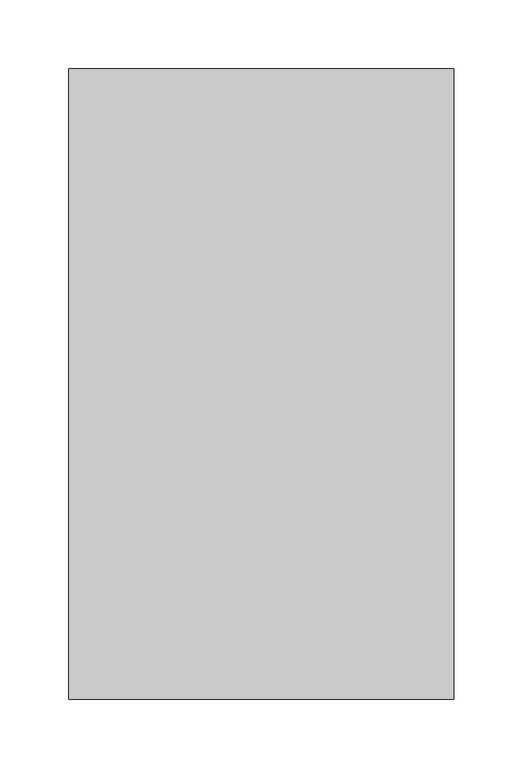
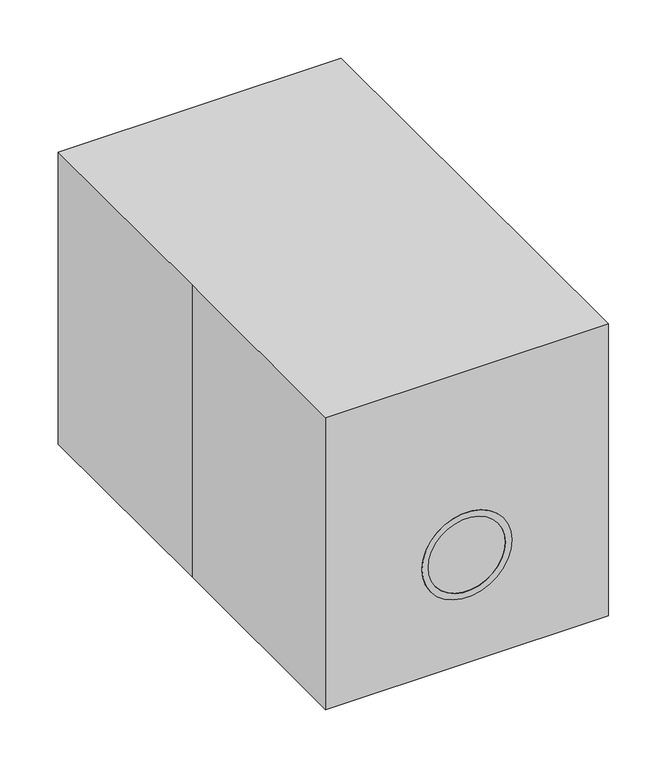
"""IFC4 building model written with IfcOpenShell, lengths in millimetres: proxy geometry."""

from ifc_helpers import new_model, si_unit, point, frame, frame_2d, origin, origin_with_axes, place, context, project, spatial, polyline, circle_curve, trimmed, segment, composite_curve, outline, extrude, source, transform, mapped, element, save


def specialty_equipment_47201700(model_context):
    return source(origin(), model_context, "Body", "SweptSolid", [
        extrude(outline(composite_curve([segment(polyline([(-76.2, 254.0), (-104.4566244, 254.0)]), True, "CONTINUOUS"), segment(trimmed(circle_curve(frame_2d((0.0, 74.9129669)), 207.3242673), [point((-104.4566244, 254.0))], [point((104.4566244, 254.0))], False, "CARTESIAN"), True, "CONTINUOUS"), segment(polyline([(104.4566244, 254.0), (76.2, 254.0)]), True, "CONTINUOUS"), segment(trimmed(circle_curve(frame_2d((0.0, 74.9129669)), 194.6242673), [point((76.2, 254.0))], [point((-76.2, 254.0))], True, "CARTESIAN"), True, "CONTINUOUS")], self_intersect=False)), frame((-15.3545112, 0.0, 0.0), z_axis=(1.0, 0.0, 0.0), x_axis=(0.0, 1.0, 0.0)), (0.0, 0.0, 1.0), 29.2134457),
        extrude(outline(polyline([(239.7839172, 100.6924911), (239.7839172, 75.0188102), (212.1040368, 75.0188102), (212.1040368, 100.6924911), (239.7839172, 100.6924911)]), holes=[polyline([(236.6089172, 97.5174911), (215.2790368, 97.5174911), (215.2790368, 78.1938102), (236.6089172, 78.1938102), (236.6089172, 97.5174911)])]), frame((0.0, -204.5761198, 0.0), z_axis=(0.0, 1.0, 0.0), x_axis=(0.0, 0.0, 1.0)), (0.0, 0.0, 1.0), 1.3761198),
        extrude(outline(polyline([(-207.1370082, 236.6089172), (-203.2, 236.6089172), (-203.2, 215.2790368), (-205.2210605, 215.2790368), (-204.33299, 227.9790368), (-207.1370082, 236.6089172)])), frame((78.1938102, 0.0, 0.0), z_axis=(1.0, 0.0, 0.0), x_axis=(0.0, 1.0, 0.0)), (0.0, 0.0, 1.0), 19.3236809),
        extrude(outline(composite_curve([segment(trimmed(circle_curve(frame_2d((169.0957383, 87.6470805)), 9.525), [point((169.0957383, 78.1220805))], [point((169.0957383, 97.1720805))], False, "CARTESIAN"), True, "CONTINUOUS"), segment(trimmed(circle_curve(frame_2d((169.0957383, 87.6470805)), 9.525), [point((169.0957383, 97.1720805))], [point((169.0957383, 78.1220805))], False, "CARTESIAN"), True, "CONTINUOUS")], self_intersect=False)), frame((0.0, -214.0745235, 0.0), z_axis=(0.0, 1.0, 0.0), x_axis=(0.0, 0.0, 1.0)), (0.0, 0.0, 1.0), 10.8745235),
        extrude(outline(composite_curve([segment(trimmed(circle_curve(frame_2d((112.5663525, 0.0)), 44.45), [point((112.5663525, -44.45))], [point((112.5663525, 44.45))], False, "CARTESIAN"), True, "CONTINUOUS"), segment(trimmed(circle_curve(frame_2d((112.5663525, 0.0)), 44.45), [point((112.5663525, 44.45))], [point((112.5663525, -44.45))], False, "CARTESIAN"), True, "CONTINUOUS")], self_intersect=False), holes=[composite_curve([segment(trimmed(circle_curve(frame_2d((112.5663525, 0.0)), 38.1), [point((112.5663525, -38.1))], [point((112.5663525, 38.1))], True, "CARTESIAN"), True, "CONTINUOUS"), segment(trimmed(circle_curve(frame_2d((112.5663525, 0.0)), 38.1), [point((112.5663525, 38.1))], [point((112.5663525, -38.1))], True, "CARTESIAN"), True, "CONTINUOUS")], self_intersect=False)]), frame((0.0, -228.6, 0.0), z_axis=(0.0, 1.0, 0.0), x_axis=(0.0, 0.0, 1.0)), (0.0, 0.0, 1.0), 25.4),
        extrude(outline(composite_curve([segment(trimmed(circle_curve(frame_2d((101.6, 177.8)), 25.4), [point((101.6, 203.2))], [point((127.0, 177.8))], False, "CARTESIAN"), True, "CONTINUOUS"), segment(polyline([(127.0, 177.8), (127.0, -177.8)]), True, "CONTINUOUS"), segment(trimmed(circle_curve(frame_2d((101.6, -177.8)), 25.4), [point((127.0, -177.8))], [point((101.6, -203.2))], False, "CARTESIAN"), True, "CONTINUOUS"), segment(polyline([(101.6, -203.2), (-101.6, -203.2)]), True, "CONTINUOUS"), segment(trimmed(circle_curve(frame_2d((-101.6, -177.8)), 25.4), [point((-101.6, -203.2))], [point((-127.0, -177.8))], False, "CARTESIAN"), True, "CONTINUOUS"), segment(polyline([(-127.0, -177.8), (-127.0, 177.8)]), True, "CONTINUOUS"), segment(trimmed(circle_curve(frame_2d((-101.6, 177.8)), 25.4), [point((-127.0, 177.8))], [point((-101.6, 203.2))], False, "CARTESIAN"), True, "CONTINUOUS"), segment(polyline([(-101.6, 203.2), (101.6, 203.2)]), True, "CONTINUOUS")], self_intersect=False)), origin_with_axes(), (0.0, 0.0, 1.0), 254.0),
        extrude(outline(polyline([(-139.7, 228.6), (139.7, 228.6), (139.7, -228.6), (-139.7, -228.6), (-139.7, 0.0), (-139.7, 228.6)])), origin_with_axes(), (0.0, 0.0, 1.0), 304.8),
    ])


if __name__ == "__main__":
    model = new_model("IFC4")
    model_context = context("Model", 3, world=origin())
    ifc_project = project(units=[si_unit("LENGTHUNIT", "METRE", prefix="MILLI")], contexts=[model_context])
    site = spatial("IfcSite", under=ifc_project)
    building = spatial("IfcBuilding", under=site)
    placement = place(None, origin())
    specialty_equipment_shape = specialty_equipment_47201700(model_context)
    element("IfcBuildingElementProxy", 1, Name="Specialty Equipment", at=placement, inside=building, context=model_context, shape_type="MappedRepresentation", body=[
        mapped(specialty_equipment_shape, transform((0.0, 0.0, 0.0), x_axis=(1.0, 0.0, 0.0), y_axis=(0.0, 1.0, 0.0), z_axis=(0.0, 0.0, 1.0))),
    ])
    save(model, "model.ifc")
